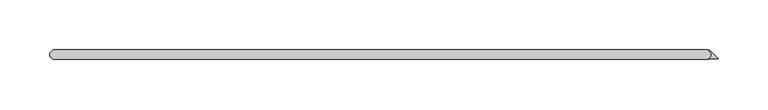
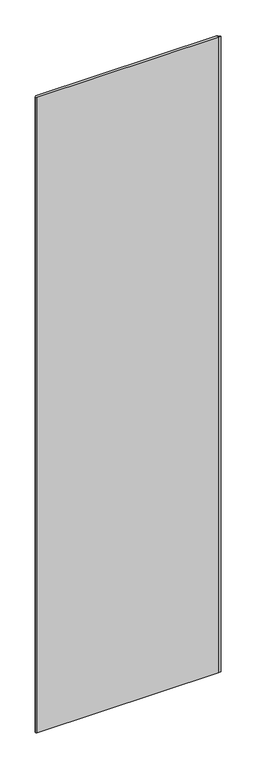
"""IFC4 building model written with IfcOpenShell, lengths in millimetres: plate geometry."""

from ifc_helpers import new_model, si_unit, origin, origin_with_axes, place, context, project, spatial, polyline, outline, extrude, source, transform, mapped, element, save


def plate_a3041684(model_context):
    return source(origin(), model_context, "Body", "SweptSolid", [
        extrude(outline(polyline([(344.555593, -31.75), (344.555593, -28.575), (342.174343, -26.19375), (342.735609, -25.632484), (351.234375, -34.13125), (342.174343, -34.13125), (344.555593, -31.75)])), origin_with_axes(), (0.0, 0.0, 1.0), 2428.7789267),
        extrude(outline(polyline([(341.380593, -34.925), (-313.928125, -34.925), (-317.103125, -31.75), (-317.103125, -28.575), (-313.928125, -25.4), (341.380593, -25.4), (344.555593, -28.575), (344.555593, -31.75), (341.380593, -34.925)])), origin_with_axes(), (0.0, 0.0, 1.0), 2428.7789267),
    ])


if __name__ == "__main__":
    model = new_model("IFC4")
    model_context = context("Model", 3, world=origin())
    ifc_project = project(units=[si_unit("LENGTHUNIT", "METRE", prefix="MILLI")], contexts=[model_context])
    site = spatial("IfcSite", under=ifc_project)
    building = spatial("IfcBuilding", under=site)
    placement = place(None, origin())
    plate_shape = plate_a3041684(model_context)
    element("IfcPlate", 1, at=placement, inside=building, context=model_context, shape_type="MappedRepresentation", body=[
        mapped(plate_shape, transform((0.0, 0.0, 0.0), x_axis=(1.0, 0.0, 0.0), y_axis=(0.0, 1.0, 0.0), z_axis=(0.0, 0.0, 1.0))),
    ])
    save(model, "model.ifc")
